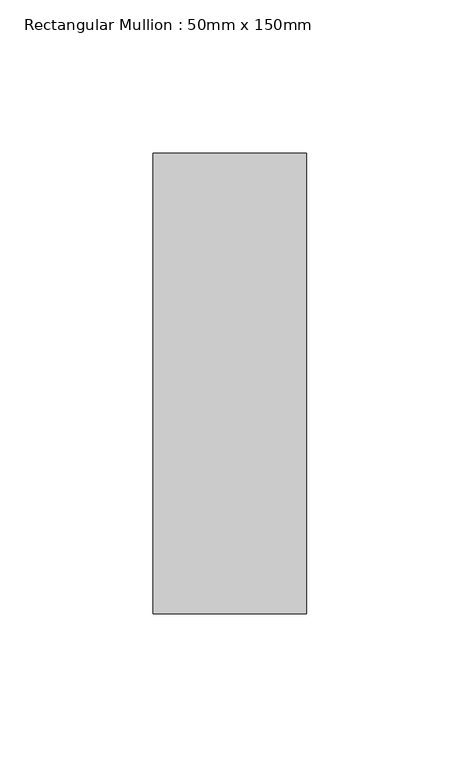
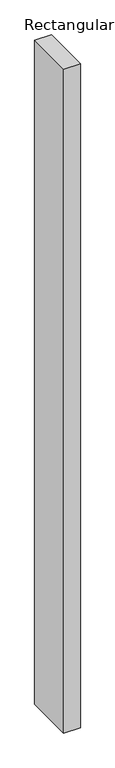
"""IFC4 building model written with IfcOpenShell, lengths in millimetres: member geometry, Rectangular Mullion : 50mm x 150mm."""

from ifc_helpers import new_model, si_unit, frame, origin, place, context, project, spatial, polyline, outline, extrude, source, transform, mapped, element, save


def rectangular_mullion_50mm_x_150mm_69155bbe(model_context):
    return source(origin(), model_context, "Body", "SweptSolid", [
        extrude(outline(polyline([(0.0, 75.0), (0.0, -75.0), (-50.0, -75.0), (-50.0, 75.0), (0.0, 75.0)])), frame((0.0, 0.0, -2100.0), z_axis=(0.0, 0.0, 1.0), x_axis=(1.0, 0.0, 0.0)), (0.0, 0.0, 1.0), 2100.0),
    ])


if __name__ == "__main__":
    model = new_model("IFC4")
    model_context = context("Model", 3, world=origin())
    ifc_project = project(units=[si_unit("LENGTHUNIT", "METRE", prefix="MILLI")], contexts=[model_context])
    site = spatial("IfcSite", under=ifc_project)
    building = spatial("IfcBuilding", under=site)
    placement = place(None, origin())
    rectangular_mullion_50mm_x_150mm_shape = rectangular_mullion_50mm_x_150mm_69155bbe(model_context)
    element("IfcMember", 1, ObjectType="Rectangular Mullion : 50mm x 150mm", at=placement, inside=building, context=model_context, shape_type="MappedRepresentation", body=[
        mapped(rectangular_mullion_50mm_x_150mm_shape, transform((0.0, 0.0, 0.0), x_axis=(1.0, 0.0, 0.0), y_axis=(0.0, 1.0, 0.0), z_axis=(0.0, 0.0, 1.0))),
    ])
    save(model, "model.ifc")
